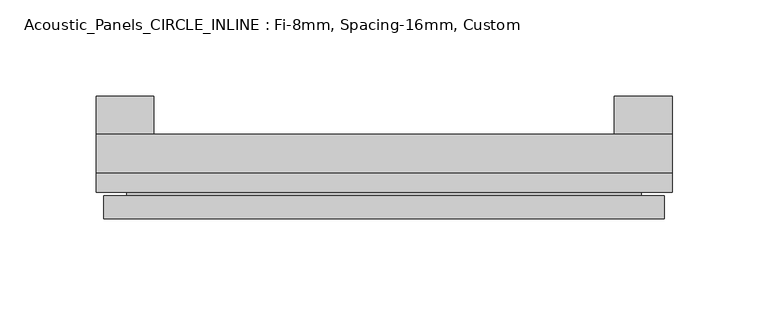
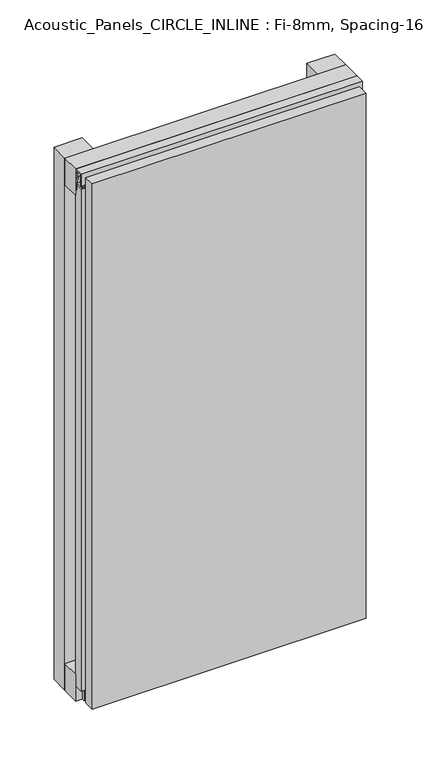
"""IFC4 building model written with IfcOpenShell, lengths in millimetres: plate geometry, Acoustic_Panels_CIRCLE_INLINE : Fi-8mm, Spacing-16mm, Custom."""

from ifc_helpers import new_model, si_unit, frame, origin, origin_with_axes, place, context, project, spatial, polyline, outline, extrude, faceted_brep, source, transform, mapped, element, save


def acoustic_panels_circle_inline_fi_8mm_spacing_16mm_custom_794abb58(model_context):
    return source(origin(), model_context, "Body", "SolidModel", [
        extrude(outline(polyline([(-150.0, -40.0), (-150.0, -20.0), (150.0, -20.0), (150.0, -40.0), (-150.0, -40.0)])), frame((0.0, 0.0, 570.0), z_axis=(0.0, 0.0, 1.0), x_axis=(1.0, 0.0, 0.0)), (0.0, 0.0, 1.0), 30.0),
        extrude(outline(polyline([(-150.0, -40.0), (-150.0, -20.0), (150.0, -20.0), (150.0, -40.0), (-150.0, -40.0)])), origin_with_axes(), (0.0, 0.0, 1.0), 30.0),
        extrude(outline(polyline([(120.0, 0.0), (150.0, 0.0), (150.0, -20.0), (120.0, -20.0), (120.0, 0.0)])), origin_with_axes(), (0.0, 0.0, 1.0), 600.0),
        extrude(outline(polyline([(-120.0, 0.0), (-120.0, -20.0), (-150.0, -20.0), (-150.0, 0.0), (-120.0, 0.0)])), origin_with_axes(), (0.0, 0.0, 1.0), 600.0),
        extrude(outline(polyline([(-40.0, 593.700916), (-43.5, 593.700916), (-40.0553267, 584.6441401), (-40.0553267, 577.008452), (-41.4553267, 577.008452), (-41.4553267, 584.4296606), (-45.5140545, 595.100916), (-41.4, 595.100916), (-41.4, 598.5843193), (-48.7, 598.5843193), (-48.7, 586.5843193), (-50.1, 586.5843193), (-50.1, 600.0), (-40.0, 600.0), (-40.0, 593.700916)])), frame((-150.0, 0.0, 0.0), z_axis=(1.0, 0.0, 0.0), x_axis=(0.0, 1.0, 0.0)), (0.0, 0.0, 1.0), 300.0),
        extrude(outline(polyline([(-143.700916, -40.0), (-143.700916, -43.5), (-134.6441401, -40.0553267), (-127.008452, -40.0553267), (-127.008452, -41.4553267), (-134.4296606, -41.4553267), (-145.100916, -45.5140545), (-145.100916, -41.4), (-148.5843193, -41.4), (-148.5843193, -48.7), (-136.5843193, -48.7), (-136.5843193, -50.1), (-150.0, -50.1), (-150.0, -40.0), (-143.700916, -40.0)])), frame((0.0, 0.0, 16.9558599), z_axis=(0.0, 0.0, 1.0), x_axis=(1.0, 0.0, 0.0)), (0.0, 0.0, 1.0), 566.0882802),
        faceted_brep([(146.0, -45.9, 596.0), (-146.0, -45.9, 596.0), (-146.0, -48.7, 596.0), (146.0, -48.7, 596.0), (-146.0, -63.9, 596.0), (146.0, -63.9, 596.0), (146.0, -51.9, 596.0), (-146.0, -51.9, 596.0), (-146.0, -45.9, 4.0), (146.0, -45.9, 4.0), (146.0, -48.7, 4.0), (-146.0, -48.7, 4.0), (146.0, -63.9, 4.0), (-146.0, -63.9, 4.0), (-146.0, -51.9, 4.0), (146.0, -51.9, 4.0), (134.0, -51.9, 584.0), (134.0, -51.9, 16.0), (134.0, -48.7, 16.0), (134.0, -48.7, 584.0), (-134.0, -51.9, 16.0), (-134.0, -48.7, 16.0), (-134.0, -51.9, 584.0), (-134.0, -48.7, 584.0)], [[[0, 1, 2, 3]], [[4, 5, 6, 7]], [[8, 9, 10, 11]], [[12, 13, 14, 15]], [[1, 0, 9, 8]], [[1, 8, 11, 2]], [[13, 4, 7, 14]], [[5, 4, 13, 12]], [[9, 0, 3, 10]], [[5, 12, 15, 6]], [[16, 17, 18, 19]], [[18, 17, 20, 21]], [[21, 20, 22, 23]], [[16, 19, 23, 22]], [[7, 6, 15, 14], [17, 16, 22, 20]], [[3, 2, 11, 10], [19, 18, 21, 23]]]),
    ])


if __name__ == "__main__":
    model = new_model("IFC4")
    model_context = context("Model", 3, world=origin())
    ifc_project = project(units=[si_unit("LENGTHUNIT", "METRE", prefix="MILLI")], contexts=[model_context])
    site = spatial("IfcSite", under=ifc_project)
    building = spatial("IfcBuilding", under=site)
    placement = place(None, origin())
    acoustic_panels_circle_inline_fi_8mm_spacing_16mm_custom_shape = acoustic_panels_circle_inline_fi_8mm_spacing_16mm_custom_794abb58(model_context)
    element("IfcPlate", 1, ObjectType="Acoustic_Panels_CIRCLE_INLINE : Fi-8mm, Spacing-16mm, Custom", at=placement, inside=building, context=model_context, shape_type="MappedRepresentation", body=[
        mapped(acoustic_panels_circle_inline_fi_8mm_spacing_16mm_custom_shape, transform((0.0, 0.0, 0.0), x_axis=(1.0, 0.0, 0.0), y_axis=(0.0, 1.0, 0.0), z_axis=(0.0, 0.0, 1.0))),
    ])
    save(model, "model.ifc")
